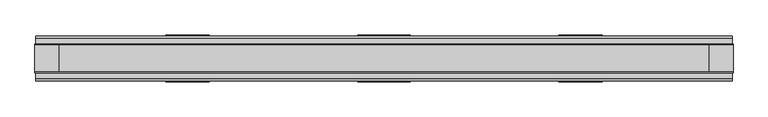
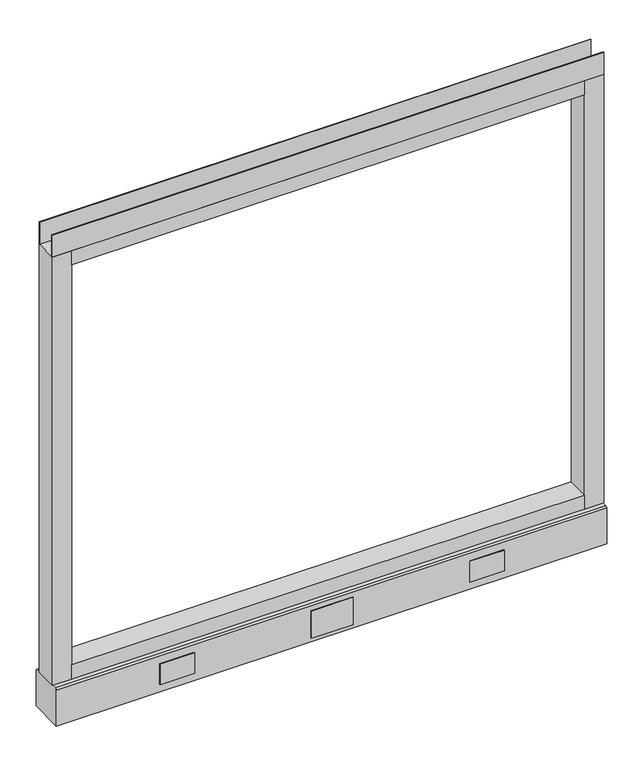
"""IFC4 building model written with IfcOpenShell, lengths in millimetres: furniture geometry."""

from ifc_helpers import new_model, si_unit, point, frame, frame_2d, origin, place, context, project, spatial, polyline, circle_curve, trimmed, segment, composite_curve, outline, extrude, source, transform, mapped, element, save
from ifc_brep_helpers import plane_surface, revolved_surface, advanced_brep


def furniture_b73e8b13(model_context):
    return source(origin(), model_context, "Body", "SolidModel", [
        advanced_brep(
        [(539.75, 0.0, 6.35), (565.15, 0.0, 6.35), (533.4, 0.0, 0.0), (571.5, 0.0, 0.0)],
        [
            (0, 1, circle_curve(frame((552.45, 0.0, 6.35), z_axis=(0.0, 0.0, 1.0), x_axis=(-1.0, 0.0, 0.0)), 12.7)),
            (1, 0, circle_curve(frame((552.45, 0.0, 6.35), z_axis=(0.0, 0.0, 1.0), x_axis=(1.0, 0.0, 0.0)), 12.7)),
            (2, 3, circle_curve(frame((552.45, 0.0, 0.0), z_axis=(0.0, 0.0, -1.0), x_axis=(1.0, 0.0, 0.0)), 19.05)),
            (3, 2, circle_curve(frame((552.45, 0.0, 0.0), z_axis=(0.0, 0.0, -1.0), x_axis=(-1.0, 0.0, 0.0)), 19.05)),
            (3, 1),
            (0, 2),
        ],
        [
            plane_surface(frame((552.45, 0.0, 6.35), z_axis=(0.0, 0.0, 1.0), x_axis=(0.0, -1.0, 0.0))),
            plane_surface(frame((552.45, 0.0, 0.0), z_axis=(0.0, 0.0, -1.0), x_axis=(0.0, -1.0, 0.0))),
            revolved_surface(polyline([(539.75, 0.0, 6.35), (533.4, 0.0, 0.0)]), (552.45, 0.0, 19.05), (0.0, 0.0, -1.0)),
            revolved_surface(polyline([(565.15, 0.0, 6.35), (571.5, 0.0, 0.0)]), (552.45, 0.0, 19.05), (0.0, 0.0, -1.0)),
        ],
        [
            (0, [[1, 2]]),
            (1, [[3, 4]]),
            (2, [[-4, 5, -1, 6]]),
            (3, [[-3, -6, -2, -5]]),
        ],
    ),
        advanced_brep(
        [(-565.15, 0.0, 6.35), (-539.75, 0.0, 6.35), (-571.5, 0.0, 0.0), (-533.4, 0.0, 0.0)],
        [
            (0, 1, circle_curve(frame((-552.45, 0.0, 6.35), z_axis=(0.0, 0.0, 1.0), x_axis=(-1.0, 0.0, 0.0)), 12.7)),
            (1, 0, circle_curve(frame((-552.45, 0.0, 6.35), z_axis=(0.0, 0.0, 1.0), x_axis=(1.0, 0.0, 0.0)), 12.7)),
            (2, 3, circle_curve(frame((-552.45, 0.0, 0.0), z_axis=(0.0, 0.0, -1.0), x_axis=(1.0, 0.0, 0.0)), 19.05)),
            (3, 2, circle_curve(frame((-552.45, 0.0, 0.0), z_axis=(0.0, 0.0, -1.0), x_axis=(-1.0, 0.0, 0.0)), 19.05)),
            (3, 1),
            (0, 2),
        ],
        [
            plane_surface(frame((-552.45, 0.0, 6.35), z_axis=(0.0, 0.0, 1.0), x_axis=(0.0, -1.0, 0.0))),
            plane_surface(frame((-552.45, 0.0, 0.0), z_axis=(0.0, 0.0, -1.0), x_axis=(0.0, -1.0, 0.0))),
            revolved_surface(polyline([(-565.15, 0.0, 6.35), (-571.5, 0.0, 0.0)]), (-552.45, 0.0, 19.05), (0.0, 0.0, -1.0)),
            revolved_surface(polyline([(-539.75, 0.0, 6.35), (-533.4, 0.0, 0.0)]), (-552.45, 0.0, 19.05), (0.0, 0.0, -1.0)),
        ],
        [
            (0, [[1, 2]]),
            (1, [[3, 4]]),
            (2, [[-4, 5, -1, 6]]),
            (3, [[-3, -6, -2, -5]]),
        ],
    ),
        extrude(outline(polyline([(609.6, -23.8125), (609.6, -25.4), (-609.6, -25.4), (-609.6, -23.8125), (609.6, -23.8125)])), frame((0.0, 0.0, 1102.233), z_axis=(0.0, 0.0, 1.0), x_axis=(1.0, 0.0, 0.0)), (0.0, 0.0, 1.0), 51.435),
        extrude(outline(polyline([(609.6, 25.4), (609.6, 23.8125), (-609.6, 23.8125), (-609.6, 25.4), (609.6, 25.4)])), frame((0.0, 0.0, 1102.233), z_axis=(0.0, 0.0, 1.0), x_axis=(1.0, 0.0, 0.0)), (0.0, 0.0, 1.0), 51.435),
        extrude(outline(polyline([(566.7375, -25.4), (-566.7375, -25.4), (-566.7375, 25.4), (566.7375, 25.4), (566.7375, -25.4)])), frame((0.0, 0.0, 1069.34), z_axis=(0.0, 0.0, 1.0), x_axis=(1.0, 0.0, 0.0)), (0.0, 0.0, 1.0), 32.893),
        extrude(outline(polyline([(566.7375, -25.4), (-566.7375, -25.4), (-566.7375, 25.4), (566.7375, 25.4), (566.7375, -25.4)])), frame((0.0, 0.0, 101.6), z_axis=(0.0, 0.0, 1.0), x_axis=(1.0, 0.0, 0.0)), (0.0, 0.0, 1.0), 32.893),
        extrude(outline(composite_curve([segment(trimmed(circle_curve(frame_2d((-552.45, 0.0)), 5.55625), [point((-558.00625, 0.0))], [point((-546.89375, 0.0))], False, "CARTESIAN"), True, "CONTINUOUS"), segment(trimmed(circle_curve(frame_2d((-552.45, 0.0)), 5.55625), [point((-546.89375, 0.0))], [point((-558.00625, 0.0))], False, "CARTESIAN"), True, "CONTINUOUS")], self_intersect=False)), frame((0.0, 0.0, 6.35), z_axis=(0.0, 0.0, 1.0), x_axis=(1.0, 0.0, 0.0)), (0.0, 0.0, 1.0), 7.9375),
        extrude(outline(composite_curve([segment(trimmed(circle_curve(frame_2d((552.45, 0.0)), 5.55625), [point((546.89375, 0.0))], [point((558.00625, 0.0))], False, "CARTESIAN"), True, "CONTINUOUS"), segment(trimmed(circle_curve(frame_2d((552.45, 0.0)), 5.55625), [point((558.00625, 0.0))], [point((546.89375, 0.0))], False, "CARTESIAN"), True, "CONTINUOUS")], self_intersect=False)), frame((0.0, 0.0, 6.35), z_axis=(0.0, 0.0, 1.0), x_axis=(1.0, 0.0, 0.0)), (0.0, 0.0, 1.0), 7.9375),
        extrude(outline(polyline([(-566.7375, -25.4), (-609.6, -25.4), (-609.6, 25.4), (-566.7375, 25.4), (-566.7375, -25.4)])), frame((0.0, 0.0, 101.6), z_axis=(0.0, 0.0, 1.0), x_axis=(1.0, 0.0, 0.0)), (0.0, 0.0, 1.0), 1000.633),
        extrude(outline(polyline([(609.6, -25.4), (566.7375, -25.4), (566.7375, 25.4), (609.6, 25.4), (609.6, -25.4)])), frame((0.0, 0.0, 101.6), z_axis=(0.0, 0.0, 1.0), x_axis=(1.0, 0.0, 0.0)), (0.0, 0.0, 1.0), 1000.633),
        extrude(outline(polyline([(-35.9171875, 101.6), (35.9171875, 101.6), (39.0921875, 98.425), (39.0921875, 14.2875), (-39.0921875, 14.2875), (-39.0921875, 98.425), (-35.9171875, 101.6)])), frame((-608.457, 0.0, 0.0), z_axis=(1.0, 0.0, 0.0), x_axis=(0.0, 1.0, 0.0)), (0.0, 0.0, 1.0), 1216.9140102),
        extrude(outline(polyline([(381.0, 39.0921875), (304.8, 39.0921875), (304.8, 41.4020035), (381.0, 41.4020035), (381.0, 39.0921875)])), frame((0.0, 0.0, 32.512), z_axis=(0.0, 0.0, 1.0), x_axis=(1.0, 0.0, 0.0)), (0.0, 0.0, 1.0), 48.26),
        extrude(outline(polyline([(45.7708, 39.0921875), (-45.7708, 39.0921875), (-45.7708, 41.4020035), (45.7708, 41.4020035), (45.7708, 39.0921875)])), frame((0.0, 0.0, 23.8125), z_axis=(0.0, 0.0, 1.0), x_axis=(1.0, 0.0, 0.0)), (0.0, 0.0, 1.0), 63.5),
        extrude(outline(polyline([(-304.8, 39.0921875), (-381.0, 39.0921875), (-381.0, 41.4020035), (-304.8, 41.4020035), (-304.8, 39.0921875)])), frame((0.0, 0.0, 32.512), z_axis=(0.0, 0.0, 1.0), x_axis=(1.0, 0.0, 0.0)), (0.0, 0.0, 1.0), 48.26),
        extrude(outline(polyline([(381.0, -41.4019923), (304.8, -41.4019923), (304.8, -39.0921875), (381.0, -39.0921875), (381.0, -41.4019923)])), frame((0.0, 0.0, 32.512), z_axis=(0.0, 0.0, 1.0), x_axis=(1.0, 0.0, 0.0)), (0.0, 0.0, 1.0), 48.26),
        extrude(outline(polyline([(-304.8, -41.4019923), (-381.0, -41.4019923), (-381.0, -39.0921875), (-304.8, -39.0921875), (-304.8, -41.4019923)])), frame((0.0, 0.0, 32.512), z_axis=(0.0, 0.0, 1.0), x_axis=(1.0, 0.0, 0.0)), (0.0, 0.0, 1.0), 48.26),
        extrude(outline(polyline([(45.7708, -41.4019923), (-45.7708, -41.4019923), (-45.7708, -39.0921875), (45.7708, -39.0921875), (45.7708, -41.4019923)])), frame((0.0, 0.0, 23.8125), z_axis=(0.0, 0.0, 1.0), x_axis=(1.0, 0.0, 0.0)), (0.0, 0.0, 1.0), 63.5),
    ])


if __name__ == "__main__":
    model = new_model("IFC4")
    model_context = context("Model", 3, world=origin())
    ifc_project = project(units=[si_unit("LENGTHUNIT", "METRE", prefix="MILLI")], contexts=[model_context])
    site = spatial("IfcSite", under=ifc_project)
    building = spatial("IfcBuilding", under=site)
    placement = place(None, origin())
    furniture_shape = furniture_b73e8b13(model_context)
    element("IfcFurniture", 1, at=placement, inside=building, context=model_context, shape_type="MappedRepresentation", body=[
        mapped(furniture_shape, transform((0.0, 0.0, 0.0), x_axis=(1.0, 0.0, 0.0), y_axis=(0.0, 1.0, 0.0), z_axis=(0.0, 0.0, 1.0))),
    ])
    save(model, "model.ifc")
